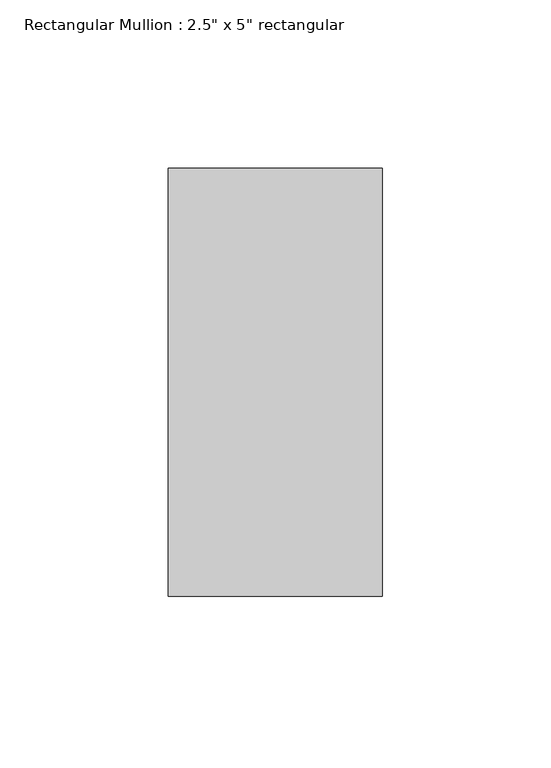
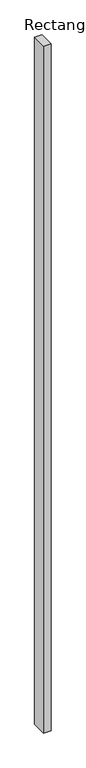
"""IFC4 building model written with IfcOpenShell, lengths in millimetres: member geometry."""

import ifcopenshell
import ifcopenshell.guid

model = None  # the IFC model being written
_history = None  # IfcOwnerHistory: only IFC2X3 demands one
_inside = {}  # id of a spatial element -> (the spatial element, [elements in it])
_under = {}  # id of a project, library or spatial element -> (it, [spatial elements below it])
_declared = {}  # id of a project -> (the project, [libraries it declares])
_typed = {}  # id of a type object -> (the type object, [elements of that type])
_made_of = {}  # id of a material, layer set ... -> (it, [elements and type objects made of it])


def new_model(schema):
    """Start an empty IFC model of exactly this schema.

    Asked for "IFC4X3", IfcOpenShell would pick the latest addendum, in which some entities
    have other attributes; the version numbers below select the first issue.
    IFC2X3 requires an IfcOwnerHistory on every rooted entity: one is made here for all.
    """
    global model, _history
    if schema == "IFC4X3":
        model = ifcopenshell.file(schema_version=(4, 3, 0, 0))
    else:
        model = ifcopenshell.file(schema=schema)
    _inside.clear()
    _under.clear()
    _declared.clear()
    _typed.clear()
    _made_of.clear()
    _history = None
    if model.schema == "IFC2X3":
        org = make("IfcOrganization", Name="unknown")
        user = make(
            "IfcPersonAndOrganization",
            ThePerson=make("IfcPerson", FamilyName="unknown"),
            TheOrganization=org,
        )
        app = make(
            "IfcApplication",
            ApplicationDeveloper=org,
            Version="unknown",
            ApplicationFullName="unknown",
            ApplicationIdentifier="unknown",
        )
        _history = make(
            "IfcOwnerHistory",
            OwningUser=user,
            OwningApplication=app,
            ChangeAction="ADDED",
            CreationDate=0,
        )
    return model


def make(cls, **values):
    """One entity of the class cls with the attributes given. An attribute that is None is left unset."""
    return model.create_entity(
        cls, **{name: value for name, value in values.items() if value is not None}
    )


def rooted(cls, **values):
    """An entity with a GlobalId (a new one), such as an element, a storey or a relation."""
    return make(cls, GlobalId=ifcopenshell.guid.new(), OwnerHistory=_history, **values)


def si_unit(unit_type, name, prefix=None):
    """IfcSIUnit, for example si_unit("LENGTHUNIT", "METRE", prefix="MILLI")."""
    return make("IfcSIUnit", UnitType=unit_type, Prefix=prefix, Name=name)


def assignment(units):
    """IfcUnitAssignment: the units of a project."""
    return None if units is None else make("IfcUnitAssignment", Units=units)


def point(xyz):
    """IfcCartesianPoint."""
    return None if xyz is None else make("IfcCartesianPoint", Coordinates=xyz)


def direction(xyz):
    """IfcDirection."""
    return None if xyz is None else make("IfcDirection", DirectionRatios=xyz)


def frame(location, z_axis=None, x_axis=None):
    """IfcAxis2Placement3D, a coordinate frame: its origin and axes. An axis left out is left unset."""
    return make(
        "IfcAxis2Placement3D",
        Location=point(location),
        Axis=direction(z_axis),
        RefDirection=direction(x_axis),
    )


def origin():
    """The frame at (0, 0, 0) with its axes left unset."""
    return frame((0.0, 0.0, 0.0))


def place(relative_to, where):
    """IfcLocalPlacement: puts the frame where relative to a parent placement (None: the world)."""
    return make(
        "IfcLocalPlacement", PlacementRelTo=relative_to, RelativePlacement=where
    )


def context(
    kind, dimensions, precision=None, world=None, true_north=None, identifier=None
):
    """IfcGeometricRepresentationContext, for example the 3D "Model" context."""
    return make(
        "IfcGeometricRepresentationContext",
        ContextIdentifier=identifier,
        ContextType=kind,
        CoordinateSpaceDimension=dimensions,
        Precision=precision,
        WorldCoordinateSystem=world,
        TrueNorth=true_north,
    )


def project(units=None, contexts=None):
    """IfcProject with its units and contexts."""
    return rooted(
        "IfcProject",
        Name="project",
        RepresentationContexts=contexts,
        UnitsInContext=assignment(units),
    )


def spatial(cls, under=None, at=None, **own):
    """A site, building, storey or space (cls), placed at a placement, below another one or the project."""
    s = rooted(cls, ObjectPlacement=at, **own)
    if under is not None:
        _under.setdefault(under.id(), (under, []))[1].append(s)
    return s


def polyline(points):
    """IfcPolyline through the points."""
    return make("IfcPolyline", Points=[point(p) for p in points])


def outline(outer, holes=None, kind="AREA"):
    """IfcArbitraryClosedProfileDef: a profile drawn as a closed curve; with holes, ...WithVoids."""
    if holes is None:
        return make("IfcArbitraryClosedProfileDef", ProfileType=kind, OuterCurve=outer)
    return make(
        "IfcArbitraryProfileDefWithVoids",
        ProfileType=kind,
        OuterCurve=outer,
        InnerCurves=holes,
    )


def extrude(swept, where, along, depth):
    """IfcExtrudedAreaSolid: the profile swept, set in the frame where, extruded along a direction by depth."""
    return make(
        "IfcExtrudedAreaSolid",
        SweptArea=swept,
        Position=where,
        ExtrudedDirection=direction(along),
        Depth=depth,
    )


def shape(context_of_items, identifier, shape_type, items):
    """IfcShapeRepresentation: the items that make up one representation, for example the "Body"."""
    return make(
        "IfcShapeRepresentation",
        ContextOfItems=context_of_items,
        RepresentationIdentifier=identifier,
        RepresentationType=shape_type,
        Items=items,
    )


def source(mapping_origin, context_of_items, identifier, shape_type, items):
    """IfcRepresentationMap: a shape defined once, which mapped items show again and again."""
    return make(
        "IfcRepresentationMap",
        MappingOrigin=mapping_origin,
        MappedRepresentation=shape(context_of_items, identifier, shape_type, items),
    )


def transform(
    local_origin,
    x_axis=None,
    y_axis=None,
    z_axis=None,
    scale=None,
    scale2=None,
    scale3=None,
    uniform=True,
):
    """IfcCartesianTransformationOperator3D, or its non-uniform kind. x_axis, y_axis, z_axis: its Axis1, 2, 3."""
    if uniform:
        return make(
            "IfcCartesianTransformationOperator3D",
            Axis1=direction(x_axis),
            Axis2=direction(y_axis),
            LocalOrigin=point(local_origin),
            Scale=scale,
            Axis3=direction(z_axis),
        )
    return make(
        "IfcCartesianTransformationOperator3DnonUniform",
        Axis1=direction(x_axis),
        Axis2=direction(y_axis),
        LocalOrigin=point(local_origin),
        Scale=scale,
        Axis3=direction(z_axis),
        Scale2=scale2,
        Scale3=scale3,
    )


def mapped(mapping_source, mapping_target):
    """IfcMappedItem: shows the shape of a source again, moved by a transform."""
    return make(
        "IfcMappedItem", MappingSource=mapping_source, MappingTarget=mapping_target
    )


def made_of(thing, what):
    """Note that an element or type object is made of a material, layer set ...; save() writes the relation."""
    if what is not None:
        _made_of.setdefault(what.id(), (what, []))[1].append(thing)
    return thing


def element(
    cls,
    number,
    at=None,
    inside=None,
    cuts=None,
    type_object=None,
    material=None,
    context=None,
    identifier="Body",
    shape_type=None,
    held_by="IfcProductDefinitionShape",
    body=None,
    shapes=None,
    **own,
):
    """One element of the class cls, such as IfcWall. Its Tag is "e" and its number.

    at: its placement. inside: the storey or other place that contains it. cuts: it is an
    opening in that element (IfcRelVoidsElement). A single representation is given by context,
    identifier, shape_type and body (its items); several are given by shapes. held_by: the class
    of the entity that holds the representations. save() writes the other relations.
    """
    e = rooted(cls, Tag="e%d" % number, ObjectPlacement=at, **own)
    if body is not None:
        shapes = [shape(context, identifier, shape_type, body)]
    if shapes is not None:
        e.Representation = make(held_by, Representations=shapes)
    if inside is not None:
        _inside.setdefault(inside.id(), (inside, []))[1].append(e)
    if cuts is not None:
        rooted(
            "IfcRelVoidsElement", RelatingBuildingElement=cuts, RelatedOpeningElement=e
        )
    if type_object is not None:
        _typed.setdefault(type_object.id(), (type_object, []))[1].append(e)
    return made_of(e, material)


def aggregate(whole, parts):
    """IfcRelAggregates: a whole, such as a stair, and the parts it consists of."""
    return rooted("IfcRelAggregates", RelatingObject=whole, RelatedObjects=parts)


def save(model, path):
    """Write the relations noted so far, then the file.

    IfcRelAggregates (storeys below a building ...), IfcRelContainedInSpatialStructure (elements
    in a storey), IfcRelDefinesByType, IfcRelAssociatesMaterial and IfcRelDeclares: one each for
    every whole, place, type object, material and project.
    """
    for whole, parts in _under.values():
        aggregate(whole, parts)
    for where, things in _inside.values():
        rooted(
            "IfcRelContainedInSpatialStructure",
            RelatedElements=things,
            RelatingStructure=where,
        )
    for kind, things in _typed.values():
        rooted("IfcRelDefinesByType", RelatedObjects=things, RelatingType=kind)
    for what, things in _made_of.values():
        rooted("IfcRelAssociatesMaterial", RelatedObjects=things, RelatingMaterial=what)
    for by, libraries in _declared.values():
        rooted("IfcRelDeclares", RelatingContext=by, RelatedDefinitions=libraries)
    model.write(path)


def member_ac156f2b(model_context):
    return source(origin(), model_context, "Body", "SweptSolid", [
        extrude(outline(polyline([(0.0, 63.5), (0.0, -63.5), (-63.5, -63.5), (-63.5, 63.5), (0.0, 63.5)])), frame((0.0, 0.0, -6096.0), z_axis=(0.0, 0.0, 1.0), x_axis=(1.0, 0.0, 0.0)), (0.0, 0.0, 1.0), 6096.0),
    ])


if __name__ == "__main__":
    model = new_model("IFC4")
    model_context = context("Model", 3, world=origin())
    ifc_project = project(units=[si_unit("LENGTHUNIT", "METRE", prefix="MILLI")], contexts=[model_context])
    site = spatial("IfcSite", under=ifc_project)
    building = spatial("IfcBuilding", under=site)
    placement = place(None, origin())
    member_shape = member_ac156f2b(model_context)
    element("IfcMember", 1, ObjectType="Rectangular Mullion : 2.5\" x 5\" rectangular", at=placement, inside=building, context=model_context, shape_type="MappedRepresentation", body=[
        mapped(member_shape, transform((0.0, 0.0, 0.0), x_axis=(1.0, 0.0, 0.0), y_axis=(0.0, 1.0, 0.0), z_axis=(0.0, 0.0, 1.0))),
    ])
    save(model, "model.ifc")
